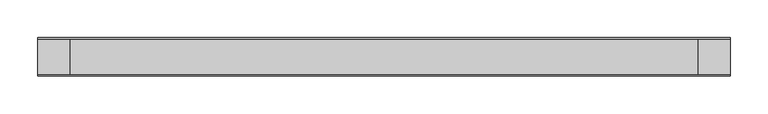
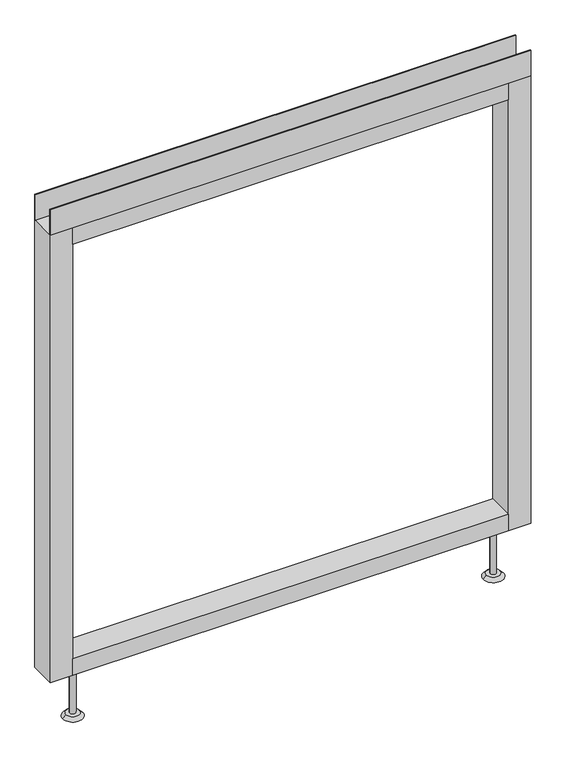
"""IFC4 building model written with IfcOpenShell, lengths in millimetres: furniture geometry."""

import ifcopenshell
import ifcopenshell.guid

model = None  # the IFC model being written
_history = None  # IfcOwnerHistory: only IFC2X3 demands one
_inside = {}  # id of a spatial element -> (the spatial element, [elements in it])
_under = {}  # id of a project, library or spatial element -> (it, [spatial elements below it])
_declared = {}  # id of a project -> (the project, [libraries it declares])
_typed = {}  # id of a type object -> (the type object, [elements of that type])
_made_of = {}  # id of a material, layer set ... -> (it, [elements and type objects made of it])


def new_model(schema):
    """Start an empty IFC model of exactly this schema.

    Asked for "IFC4X3", IfcOpenShell would pick the latest addendum, in which some entities
    have other attributes; the version numbers below select the first issue.
    IFC2X3 requires an IfcOwnerHistory on every rooted entity: one is made here for all.
    """
    global model, _history
    if schema == "IFC4X3":
        model = ifcopenshell.file(schema_version=(4, 3, 0, 0))
    else:
        model = ifcopenshell.file(schema=schema)
    _inside.clear()
    _under.clear()
    _declared.clear()
    _typed.clear()
    _made_of.clear()
    _history = None
    if model.schema == "IFC2X3":
        org = make("IfcOrganization", Name="unknown")
        user = make(
            "IfcPersonAndOrganization",
            ThePerson=make("IfcPerson", FamilyName="unknown"),
            TheOrganization=org,
        )
        app = make(
            "IfcApplication",
            ApplicationDeveloper=org,
            Version="unknown",
            ApplicationFullName="unknown",
            ApplicationIdentifier="unknown",
        )
        _history = make(
            "IfcOwnerHistory",
            OwningUser=user,
            OwningApplication=app,
            ChangeAction="ADDED",
            CreationDate=0,
        )
    return model


def make(cls, **values):
    """One entity of the class cls with the attributes given. An attribute that is None is left unset."""
    return model.create_entity(
        cls, **{name: value for name, value in values.items() if value is not None}
    )


def rooted(cls, **values):
    """An entity with a GlobalId (a new one), such as an element, a storey or a relation."""
    return make(cls, GlobalId=ifcopenshell.guid.new(), OwnerHistory=_history, **values)


def si_unit(unit_type, name, prefix=None):
    """IfcSIUnit, for example si_unit("LENGTHUNIT", "METRE", prefix="MILLI")."""
    return make("IfcSIUnit", UnitType=unit_type, Prefix=prefix, Name=name)


def assignment(units):
    """IfcUnitAssignment: the units of a project."""
    return None if units is None else make("IfcUnitAssignment", Units=units)


def point(xyz):
    """IfcCartesianPoint."""
    return None if xyz is None else make("IfcCartesianPoint", Coordinates=xyz)


def direction(xyz):
    """IfcDirection."""
    return None if xyz is None else make("IfcDirection", DirectionRatios=xyz)


def frame(location, z_axis=None, x_axis=None):
    """IfcAxis2Placement3D, a coordinate frame: its origin and axes. An axis left out is left unset."""
    return make(
        "IfcAxis2Placement3D",
        Location=point(location),
        Axis=direction(z_axis),
        RefDirection=direction(x_axis),
    )


def frame_2d(location, x_axis=None):
    """IfcAxis2Placement2D, a coordinate frame in the plane: its origin and x axis."""
    return make(
        "IfcAxis2Placement2D", Location=point(location), RefDirection=direction(x_axis)
    )


def origin():
    """The frame at (0, 0, 0) with its axes left unset."""
    return frame((0.0, 0.0, 0.0))


def place(relative_to, where):
    """IfcLocalPlacement: puts the frame where relative to a parent placement (None: the world)."""
    return make(
        "IfcLocalPlacement", PlacementRelTo=relative_to, RelativePlacement=where
    )


def context(
    kind, dimensions, precision=None, world=None, true_north=None, identifier=None
):
    """IfcGeometricRepresentationContext, for example the 3D "Model" context."""
    return make(
        "IfcGeometricRepresentationContext",
        ContextIdentifier=identifier,
        ContextType=kind,
        CoordinateSpaceDimension=dimensions,
        Precision=precision,
        WorldCoordinateSystem=world,
        TrueNorth=true_north,
    )


def project(units=None, contexts=None):
    """IfcProject with its units and contexts."""
    return rooted(
        "IfcProject",
        Name="project",
        RepresentationContexts=contexts,
        UnitsInContext=assignment(units),
    )


def spatial(cls, under=None, at=None, **own):
    """A site, building, storey or space (cls), placed at a placement, below another one or the project."""
    s = rooted(cls, ObjectPlacement=at, **own)
    if under is not None:
        _under.setdefault(under.id(), (under, []))[1].append(s)
    return s


def polyline(points):
    """IfcPolyline through the points."""
    return make("IfcPolyline", Points=[point(p) for p in points])


def circle_curve(where, radius):
    """IfcCircle in the frame where."""
    return make("IfcCircle", Position=where, Radius=radius)


def trimmed(basis, trim1, trim2, sense, master):
    """IfcTrimmedCurve: the piece of a basis curve between two trims."""
    return make(
        "IfcTrimmedCurve",
        BasisCurve=basis,
        Trim1=trim1,
        Trim2=trim2,
        SenseAgreement=sense,
        MasterRepresentation=master,
    )


def segment(curve, same_sense, transition):
    """IfcCompositeCurveSegment."""
    return make(
        "IfcCompositeCurveSegment",
        Transition=transition,
        SameSense=same_sense,
        ParentCurve=curve,
    )


def composite_curve(segments, self_intersect=None):
    """IfcCompositeCurve: segments joined end to end."""
    return make("IfcCompositeCurve", Segments=segments, SelfIntersect=self_intersect)


def outline(outer, holes=None, kind="AREA"):
    """IfcArbitraryClosedProfileDef: a profile drawn as a closed curve; with holes, ...WithVoids."""
    if holes is None:
        return make("IfcArbitraryClosedProfileDef", ProfileType=kind, OuterCurve=outer)
    return make(
        "IfcArbitraryProfileDefWithVoids",
        ProfileType=kind,
        OuterCurve=outer,
        InnerCurves=holes,
    )


def extrude(swept, where, along, depth):
    """IfcExtrudedAreaSolid: the profile swept, set in the frame where, extruded along a direction by depth."""
    return make(
        "IfcExtrudedAreaSolid",
        SweptArea=swept,
        Position=where,
        ExtrudedDirection=direction(along),
        Depth=depth,
    )


def shape(context_of_items, identifier, shape_type, items):
    """IfcShapeRepresentation: the items that make up one representation, for example the "Body"."""
    return make(
        "IfcShapeRepresentation",
        ContextOfItems=context_of_items,
        RepresentationIdentifier=identifier,
        RepresentationType=shape_type,
        Items=items,
    )


def source(mapping_origin, context_of_items, identifier, shape_type, items):
    """IfcRepresentationMap: a shape defined once, which mapped items show again and again."""
    return make(
        "IfcRepresentationMap",
        MappingOrigin=mapping_origin,
        MappedRepresentation=shape(context_of_items, identifier, shape_type, items),
    )


def transform(
    local_origin,
    x_axis=None,
    y_axis=None,
    z_axis=None,
    scale=None,
    scale2=None,
    scale3=None,
    uniform=True,
):
    """IfcCartesianTransformationOperator3D, or its non-uniform kind. x_axis, y_axis, z_axis: its Axis1, 2, 3."""
    if uniform:
        return make(
            "IfcCartesianTransformationOperator3D",
            Axis1=direction(x_axis),
            Axis2=direction(y_axis),
            LocalOrigin=point(local_origin),
            Scale=scale,
            Axis3=direction(z_axis),
        )
    return make(
        "IfcCartesianTransformationOperator3DnonUniform",
        Axis1=direction(x_axis),
        Axis2=direction(y_axis),
        LocalOrigin=point(local_origin),
        Scale=scale,
        Axis3=direction(z_axis),
        Scale2=scale2,
        Scale3=scale3,
    )


def mapped(mapping_source, mapping_target):
    """IfcMappedItem: shows the shape of a source again, moved by a transform."""
    return make(
        "IfcMappedItem", MappingSource=mapping_source, MappingTarget=mapping_target
    )


def made_of(thing, what):
    """Note that an element or type object is made of a material, layer set ...; save() writes the relation."""
    if what is not None:
        _made_of.setdefault(what.id(), (what, []))[1].append(thing)
    return thing


def element(
    cls,
    number,
    at=None,
    inside=None,
    cuts=None,
    type_object=None,
    material=None,
    context=None,
    identifier="Body",
    shape_type=None,
    held_by="IfcProductDefinitionShape",
    body=None,
    shapes=None,
    **own,
):
    """One element of the class cls, such as IfcWall. Its Tag is "e" and its number.

    at: its placement. inside: the storey or other place that contains it. cuts: it is an
    opening in that element (IfcRelVoidsElement). A single representation is given by context,
    identifier, shape_type and body (its items); several are given by shapes. held_by: the class
    of the entity that holds the representations. save() writes the other relations.
    """
    e = rooted(cls, Tag="e%d" % number, ObjectPlacement=at, **own)
    if body is not None:
        shapes = [shape(context, identifier, shape_type, body)]
    if shapes is not None:
        e.Representation = make(held_by, Representations=shapes)
    if inside is not None:
        _inside.setdefault(inside.id(), (inside, []))[1].append(e)
    if cuts is not None:
        rooted(
            "IfcRelVoidsElement", RelatingBuildingElement=cuts, RelatedOpeningElement=e
        )
    if type_object is not None:
        _typed.setdefault(type_object.id(), (type_object, []))[1].append(e)
    return made_of(e, material)


def aggregate(whole, parts):
    """IfcRelAggregates: a whole, such as a stair, and the parts it consists of."""
    return rooted("IfcRelAggregates", RelatingObject=whole, RelatedObjects=parts)


def save(model, path):
    """Write the relations noted so far, then the file.

    IfcRelAggregates (storeys below a building ...), IfcRelContainedInSpatialStructure (elements
    in a storey), IfcRelDefinesByType, IfcRelAssociatesMaterial and IfcRelDeclares: one each for
    every whole, place, type object, material and project.
    """
    for whole, parts in _under.values():
        aggregate(whole, parts)
    for where, things in _inside.values():
        rooted(
            "IfcRelContainedInSpatialStructure",
            RelatedElements=things,
            RelatingStructure=where,
        )
    for kind, things in _typed.values():
        rooted("IfcRelDefinesByType", RelatedObjects=things, RelatingType=kind)
    for what, things in _made_of.values():
        rooted("IfcRelAssociatesMaterial", RelatedObjects=things, RelatingMaterial=what)
    for by, libraries in _declared.values():
        rooted("IfcRelDeclares", RelatingContext=by, RelatedDefinitions=libraries)
    model.write(path)


def plane_surface(at):
    """IfcPlane: the flat surface through the origin of the frame at, square to its z axis."""
    return make("IfcPlane", Position=at)


def revolved_surface(curve, axis_point, axis_direction):
    """IfcSurfaceOfRevolution: the curve turned about the line through axis_point along axis_direction."""
    return make(
        "IfcSurfaceOfRevolution",
        SweptCurve=make("IfcArbitraryOpenProfileDef", ProfileType="CURVE", Curve=curve),
        AxisPosition=make("IfcAxis1Placement", Location=point(axis_point), Axis=direction(axis_direction)),
    )


def advanced_brep(points, edges, surfaces, faces):
    """IfcAdvancedBrep: a solid bounded by faces that lie on surfaces and meet in shared edges.

    An edge is (start, end): straight between two places in points (the first is 0);
    or (start, end, curve); or (start, end, curve, False) where it runs against its curve.
    A face is (place in surfaces, loops), or (place, loops, False) where it looks against
    its surface's normal. A loop lists edges by number (the first is 1), with a minus sign
    where the edge is run from its end to its start. The first loop is the outer one.
    """
    corners = [point(p) for p in points]
    vertices = [make("IfcVertexPoint", VertexGeometry=c) for c in corners]
    made = []
    for start, end, *more in edges:
        made.append(
            make(
                "IfcEdgeCurve",
                EdgeStart=vertices[start],
                EdgeEnd=vertices[end],
                EdgeGeometry=more[0] if more else make("IfcPolyline", Points=[corners[start], corners[end]]),
                SameSense=more[1] if len(more) > 1 else True,
            )
        )
    hull = []
    for where, loops, *sense in faces:
        bounds = []
        for j, loop in enumerate(loops):
            ring = [make("IfcOrientedEdge", EdgeElement=made[abs(k) - 1], Orientation=k > 0) for k in loop]
            bounds.append(
                make(
                    "IfcFaceOuterBound" if j == 0 else "IfcFaceBound",
                    Bound=make("IfcEdgeLoop", EdgeList=ring),
                    Orientation=True,
                )
            )
        hull.append(make("IfcAdvancedFace", Bounds=bounds, FaceSurface=surfaces[where], SameSense=sense[0] if sense else True))
    return make("IfcAdvancedBrep", Outer=make("IfcClosedShell", CfsFaces=hull))


def furniture_f904f4c8(model_context):
    return source(origin(), model_context, "Body", "SolidModel", [
        advanced_brep(
        [(387.35, 0.0, 6.35), (412.75, 0.0, 6.35), (381.0, 0.0, 0.0), (419.1, 0.0, 0.0)],
        [
            (0, 1, circle_curve(frame((400.05, 0.0, 6.35), z_axis=(0.0, 0.0, 1.0), x_axis=(-1.0, 0.0, 0.0)), 12.7)),
            (1, 0, circle_curve(frame((400.05, 0.0, 6.35), z_axis=(0.0, 0.0, 1.0), x_axis=(1.0, 0.0, 0.0)), 12.7)),
            (2, 3, circle_curve(frame((400.05, 0.0, 0.0), z_axis=(0.0, 0.0, -1.0), x_axis=(1.0, 0.0, 0.0)), 19.05)),
            (3, 2, circle_curve(frame((400.05, 0.0, 0.0), z_axis=(0.0, 0.0, -1.0), x_axis=(-1.0, 0.0, 0.0)), 19.05)),
            (3, 1),
            (0, 2),
        ],
        [
            plane_surface(frame((400.05, 0.0, 6.35), z_axis=(0.0, 0.0, 1.0), x_axis=(0.0, -1.0, 0.0))),
            plane_surface(frame((400.05, 0.0, 0.0), z_axis=(0.0, 0.0, -1.0), x_axis=(0.0, -1.0, 0.0))),
            revolved_surface(polyline([(387.35, 0.0, 6.35), (381.0, 0.0, 0.0)]), (400.05, 0.0, 19.05), (0.0, 0.0, -1.0)),
            revolved_surface(polyline([(412.75, 0.0, 6.35), (419.1, 0.0, 0.0)]), (400.05, 0.0, 19.05), (0.0, 0.0, -1.0)),
        ],
        [
            (0, [[1, 2]]),
            (1, [[3, 4]]),
            (2, [[-4, 5, -1, 6]]),
            (3, [[-3, -6, -2, -5]]),
        ],
    ),
        advanced_brep(
        [(-412.75, 0.0, 6.35), (-387.35, 0.0, 6.35), (-419.1, 0.0, 0.0), (-381.0, 0.0, 0.0)],
        [
            (0, 1, circle_curve(frame((-400.05, 0.0, 6.35), z_axis=(0.0, 0.0, 1.0), x_axis=(-1.0, 0.0, 0.0)), 12.7)),
            (1, 0, circle_curve(frame((-400.05, 0.0, 6.35), z_axis=(0.0, 0.0, 1.0), x_axis=(1.0, 0.0, 0.0)), 12.7)),
            (2, 3, circle_curve(frame((-400.05, 0.0, 0.0), z_axis=(0.0, 0.0, -1.0), x_axis=(1.0, 0.0, 0.0)), 19.05)),
            (3, 2, circle_curve(frame((-400.05, 0.0, 0.0), z_axis=(0.0, 0.0, -1.0), x_axis=(-1.0, 0.0, 0.0)), 19.05)),
            (3, 1),
            (0, 2),
        ],
        [
            plane_surface(frame((-400.05, 0.0, 6.35), z_axis=(0.0, 0.0, 1.0), x_axis=(0.0, -1.0, 0.0))),
            plane_surface(frame((-400.05, 0.0, 0.0), z_axis=(0.0, 0.0, -1.0), x_axis=(0.0, -1.0, 0.0))),
            revolved_surface(polyline([(-412.75, 0.0, 6.35), (-419.1, 0.0, 0.0)]), (-400.05, 0.0, 19.05), (0.0, 0.0, -1.0)),
            revolved_surface(polyline([(-387.35, 0.0, 6.35), (-381.0, 0.0, 0.0)]), (-400.05, 0.0, 19.05), (0.0, 0.0, -1.0)),
        ],
        [
            (0, [[1, 2]]),
            (1, [[3, 4]]),
            (2, [[-4, 5, -1, 6]]),
            (3, [[-3, -6, -2, -5]]),
        ],
    ),
        extrude(outline(polyline([(457.2, -23.8125), (457.2, -25.4), (-457.2, -25.4), (-457.2, -23.8125), (457.2, -23.8125)])), frame((0.0, 0.0, 1000.633), z_axis=(0.0, 0.0, 1.0), x_axis=(1.0, 0.0, 0.0)), (0.0, 0.0, 1.0), 51.435),
        extrude(outline(polyline([(457.2, 25.4), (457.2, 23.8125), (-457.2, 23.8125), (-457.2, 25.4), (457.2, 25.4)])), frame((0.0, 0.0, 1000.633), z_axis=(0.0, 0.0, 1.0), x_axis=(1.0, 0.0, 0.0)), (0.0, 0.0, 1.0), 51.435),
        extrude(outline(polyline([(414.3375, -25.4), (-414.3375, -25.4), (-414.3375, 25.4), (414.3375, 25.4), (414.3375, -25.4)])), frame((0.0, 0.0, 967.74), z_axis=(0.0, 0.0, 1.0), x_axis=(1.0, 0.0, 0.0)), (0.0, 0.0, 1.0), 32.893),
        extrude(outline(polyline([(414.3375, -25.4), (-414.3375, -25.4), (-414.3375, 25.4), (414.3375, 25.4), (414.3375, -25.4)])), frame((0.0, 0.0, 101.6), z_axis=(0.0, 0.0, 1.0), x_axis=(1.0, 0.0, 0.0)), (0.0, 0.0, 1.0), 32.893),
        extrude(outline(composite_curve([segment(trimmed(circle_curve(frame_2d((-400.05, 0.0)), 5.55625), [point((-405.60625, 0.0))], [point((-394.49375, 0.0))], False, "CARTESIAN"), True, "CONTINUOUS"), segment(trimmed(circle_curve(frame_2d((-400.05, 0.0)), 5.55625), [point((-394.49375, 0.0))], [point((-405.60625, 0.0))], False, "CARTESIAN"), True, "CONTINUOUS")], self_intersect=False)), frame((0.0, 0.0, 6.35), z_axis=(0.0, 0.0, 1.0), x_axis=(1.0, 0.0, 0.0)), (0.0, 0.0, 1.0), 95.25),
        extrude(outline(composite_curve([segment(trimmed(circle_curve(frame_2d((400.05, 0.0)), 5.55625), [point((394.49375, 0.0))], [point((405.60625, 0.0))], False, "CARTESIAN"), True, "CONTINUOUS"), segment(trimmed(circle_curve(frame_2d((400.05, 0.0)), 5.55625), [point((405.60625, 0.0))], [point((394.49375, 0.0))], False, "CARTESIAN"), True, "CONTINUOUS")], self_intersect=False)), frame((0.0, 0.0, 6.35), z_axis=(0.0, 0.0, 1.0), x_axis=(1.0, 0.0, 0.0)), (0.0, 0.0, 1.0), 95.25),
        extrude(outline(polyline([(-414.3375, -25.4), (-457.2, -25.4), (-457.2, 25.4), (-414.3375, 25.4), (-414.3375, -25.4)])), frame((0.0, 0.0, 101.6), z_axis=(0.0, 0.0, 1.0), x_axis=(1.0, 0.0, 0.0)), (0.0, 0.0, 1.0), 899.033),
        extrude(outline(polyline([(457.2, -25.4), (414.3375, -25.4), (414.3375, 25.4), (457.2, 25.4), (457.2, -25.4)])), frame((0.0, 0.0, 101.6), z_axis=(0.0, 0.0, 1.0), x_axis=(1.0, 0.0, 0.0)), (0.0, 0.0, 1.0), 899.033),
    ])


if __name__ == "__main__":
    model = new_model("IFC4")
    model_context = context("Model", 3, world=origin())
    ifc_project = project(units=[si_unit("LENGTHUNIT", "METRE", prefix="MILLI")], contexts=[model_context])
    site = spatial("IfcSite", under=ifc_project)
    building = spatial("IfcBuilding", under=site)
    placement = place(None, origin())
    furniture_shape = furniture_f904f4c8(model_context)
    element("IfcFurniture", 1, at=placement, inside=building, context=model_context, shape_type="MappedRepresentation", body=[
        mapped(furniture_shape, transform((0.0, 0.0, 0.0), x_axis=(1.0, 0.0, 0.0), y_axis=(0.0, 1.0, 0.0), z_axis=(0.0, 0.0, 1.0))),
    ])
    save(model, "model.ifc")
